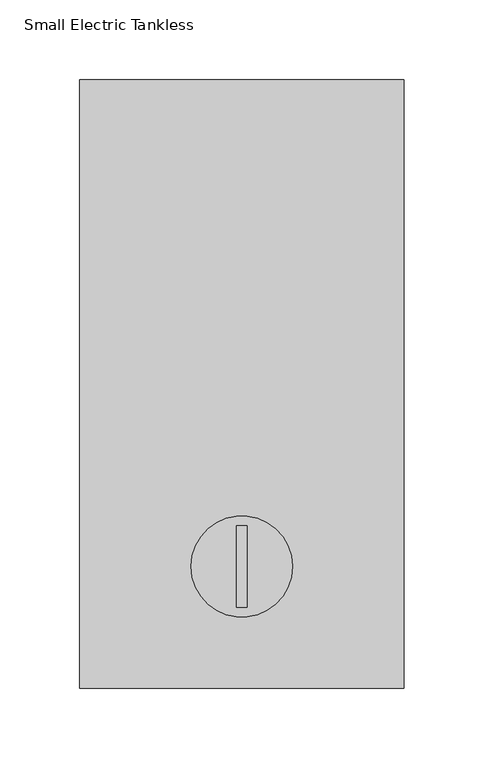
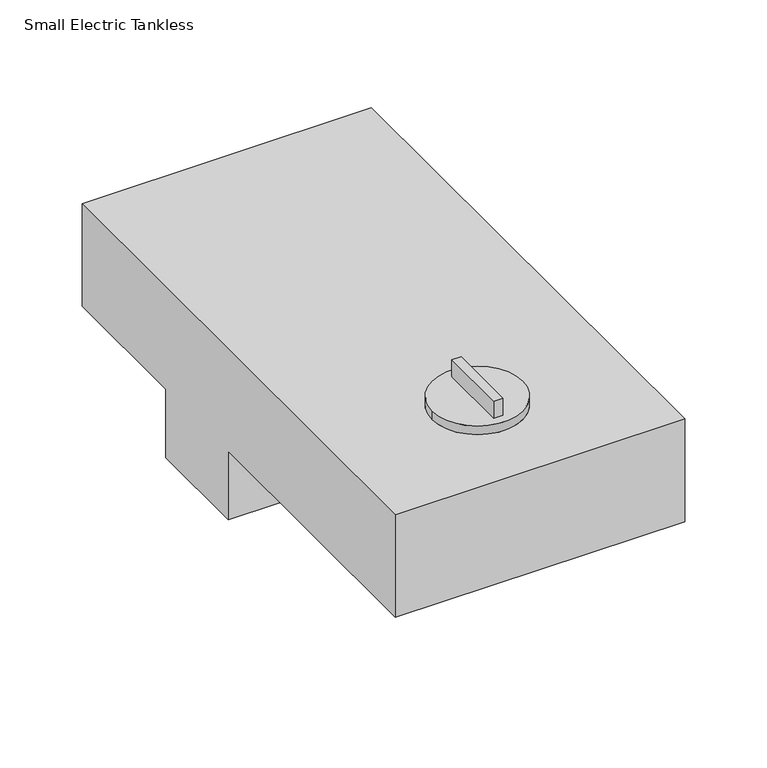
"""IFC4 building model written with IfcOpenShell, lengths in millimetres: proxy geometry, Small Electric Tankless."""

from ifc_helpers import new_model, si_unit, point, frame, frame_2d, origin, place, context, project, spatial, circle_curve, trimmed, segment, composite_curve, outline, extrude, source, transform, mapped, element, save
from ifc_brep_helpers import plane_surface, cylinder_surface, advanced_brep


def small_electric_tankless_3c061b08(model_context):
    return source(origin(), model_context, "Body", "SolidModel", [
        advanced_brep(
        [(101.6, 381.0, 50.8), (101.6, 381.0, 127.0), (101.6, 0.0, 127.0), (101.6, 0.0, 50.8), (101.6, 203.2, 50.8), (101.6, 203.2, 0.0), (101.6, 279.4, 0.0), (101.6, 279.4, 50.8), (-101.6, 381.0, 50.8), (-101.6, 279.4, 50.8), (-101.6, 279.4, 0.0), (-101.6, 203.2, 0.0), (-101.6, 203.2, 50.8), (-101.6, 0.0, 50.8), (-101.6, 0.0, 127.0), (-101.6, 381.0, 127.0), (31.75, 76.2, 127.0), (-31.75, 76.2, 127.0), (-31.75, 76.2, 133.35), (31.75, 76.2, 133.35), (-3.175, 101.6, 133.35), (3.175, 101.6, 133.35), (3.175, 50.8, 133.35), (-3.175, 50.8, 133.35), (3.175, 101.6, 146.05), (-3.175, 101.6, 146.05), (-3.175, 50.8, 146.05), (3.175, 50.8, 146.05)],
        [
            (0, 1),
            (1, 2),
            (2, 3),
            (3, 4),
            (4, 5),
            (5, 6),
            (6, 7),
            (7, 0),
            (8, 9),
            (9, 10),
            (10, 11),
            (11, 12),
            (12, 13),
            (13, 14),
            (14, 15),
            (15, 8),
            (0, 8),
            (15, 1),
            (14, 2),
            (16, 17, circle_curve(frame((0.0, 76.2, 127.0), z_axis=(0.0, 0.0, -1.0), x_axis=(1.0, 0.0, 0.0)), 31.75)),
            (17, 16, circle_curve(frame((0.0, 76.2, 127.0), z_axis=(0.0, 0.0, -1.0), x_axis=(1.0, 0.0, 0.0)), 31.75)),
            (13, 3),
            (12, 4),
            (11, 5),
            (10, 6),
            (9, 7),
            (18, 19, circle_curve(frame((0.0, 76.2, 133.35), z_axis=(0.0, 0.0, 1.0), x_axis=(1.0, 0.0, 0.0)), 31.75)),
            (19, 18, circle_curve(frame((0.0, 76.2, 133.35), z_axis=(0.0, 0.0, 1.0), x_axis=(1.0, 0.0, 0.0)), 31.75)),
            (20, 21),
            (21, 22),
            (22, 23),
            (23, 20),
            (18, 17),
            (16, 19),
            (24, 25),
            (25, 26),
            (26, 27),
            (27, 24),
            (24, 21),
            (20, 25),
            (23, 26),
            (22, 27),
        ],
        [
            plane_surface(frame((101.6, 381.0, 127.0), z_axis=(1.0, 0.0, 0.0), x_axis=(0.0, 0.0, 1.0))),
            plane_surface(frame((-101.6, 381.0, 127.0), z_axis=(-1.0, 0.0, 0.0), x_axis=(0.0, 0.0, -1.0))),
            plane_surface(frame((101.6, 381.0, 50.8), z_axis=(0.0, 1.0, 0.0), x_axis=(-1.0, 0.0, 0.0))),
            plane_surface(frame((101.6, 381.0, 127.0), z_axis=(0.0, 0.0, 1.0), x_axis=(-1.0, 0.0, 0.0))),
            plane_surface(frame((101.6, 0.0, 127.0), z_axis=(0.0, -1.0, 0.0), x_axis=(-1.0, 0.0, 0.0))),
            plane_surface(frame((101.6, 0.0, 50.8), z_axis=(0.0, 0.0, -1.0), x_axis=(-1.0, 0.0, 0.0))),
            plane_surface(frame((101.6, 203.2, 50.8), z_axis=(0.0, -1.0, 0.0), x_axis=(-1.0, 0.0, 0.0))),
            plane_surface(frame((101.6, 203.2, 0.0), z_axis=(0.0, 0.0, -1.0), x_axis=(-1.0, 0.0, 0.0))),
            plane_surface(frame((101.6, 279.4, 0.0), z_axis=(0.0, 1.0, 0.0), x_axis=(-1.0, 0.0, 0.0))),
            plane_surface(frame((101.6, 279.4, 50.8), z_axis=(0.0, 0.0, -1.0), x_axis=(-1.0, 0.0, 0.0))),
            plane_surface(frame((31.75, 76.2, 133.35), z_axis=(0.0, 0.0, 1.0), x_axis=(0.0, 1.0, 0.0))),
            cylinder_surface(frame((0.0, 76.2, 127.0), z_axis=(0.0, 0.0, 1.0), x_axis=(1.0, 0.0, 0.0)), 31.75),
            plane_surface(frame((-3.175, 101.6, 146.05), z_axis=(0.0, 0.0, 1.0), x_axis=(-1.0, 0.0, 0.0))),
            plane_surface(frame((3.175, 101.6, 146.05), z_axis=(0.0, 1.0, 0.0), x_axis=(0.0, 0.0, -1.0))),
            plane_surface(frame((-3.175, 101.6, 146.05), z_axis=(-1.0, 0.0, 0.0), x_axis=(0.0, 0.0, -1.0))),
            plane_surface(frame((-3.175, 50.8, 146.05), z_axis=(0.0, -1.0, 0.0), x_axis=(0.0, 0.0, -1.0))),
            plane_surface(frame((3.175, 50.8, 146.05), z_axis=(1.0, 0.0, 0.0), x_axis=(0.0, 0.0, -1.0))),
        ],
        [
            (0, [[1, 2, 3, 4, 5, 6, 7, 8]]),
            (1, [[9, 10, 11, 12, 13, 14, 15, 16]]),
            (2, [[-1, 17, -16, 18]]),
            (3, [[-2, -18, -15, 19], [20, 21]]),
            (4, [[-3, -19, -14, 22]]),
            (5, [[-4, -22, -13, 23]]),
            (6, [[-5, -23, -12, 24]]),
            (7, [[-6, -24, -11, 25]]),
            (8, [[-7, -25, -10, 26]]),
            (9, [[-8, -26, -9, -17]]),
            (10, [[27, 28], [29, 30, 31, 32]]),
            (11, [[-27, 33, -20, 34]]),
            (11, [[-28, -34, -21, -33]]),
            (12, [[35, 36, 37, 38]]),
            (13, [[-35, 39, -29, 40]]),
            (14, [[-36, -40, -32, 41]]),
            (15, [[-37, -41, -31, 42]]),
            (16, [[-38, -42, -30, -39]]),
        ],
    ),
        extrude(outline(composite_curve([segment(trimmed(circle_curve(frame_2d((0.0, 152.4)), 3.175), [point((-3.175, 152.4))], [point((3.175, 152.4))], False, "CARTESIAN"), True, "CONTINUOUS"), segment(trimmed(circle_curve(frame_2d((0.0, 152.4)), 3.175), [point((3.175, 152.4))], [point((-3.175, 152.4))], False, "CARTESIAN"), True, "CONTINUOUS")], self_intersect=False)), frame((0.0, 0.0, 50.8), z_axis=(0.0, 0.0, 1.0), x_axis=(1.0, 0.0, 0.0)), (0.0, 0.0, 1.0), 25.4),
    ])


if __name__ == "__main__":
    model = new_model("IFC4")
    model_context = context("Model", 3, world=origin())
    ifc_project = project(units=[si_unit("LENGTHUNIT", "METRE", prefix="MILLI")], contexts=[model_context])
    site = spatial("IfcSite", under=ifc_project)
    building = spatial("IfcBuilding", under=site)
    placement = place(None, origin())
    small_electric_tankless_shape = small_electric_tankless_3c061b08(model_context)
    element("IfcBuildingElementProxy", 1, Name="Small Electric Tankless", ObjectType="Small Electric Tankless", at=placement, inside=building, context=model_context, shape_type="MappedRepresentation", body=[
        mapped(small_electric_tankless_shape, transform((0.0, 0.0, 0.0), x_axis=(1.0, 0.0, 0.0), y_axis=(0.0, 1.0, 0.0), z_axis=(0.0, 0.0, 1.0))),
    ])
    save(model, "model.ifc")
